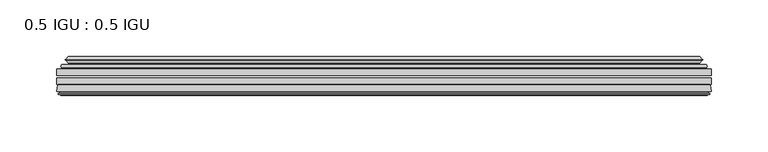
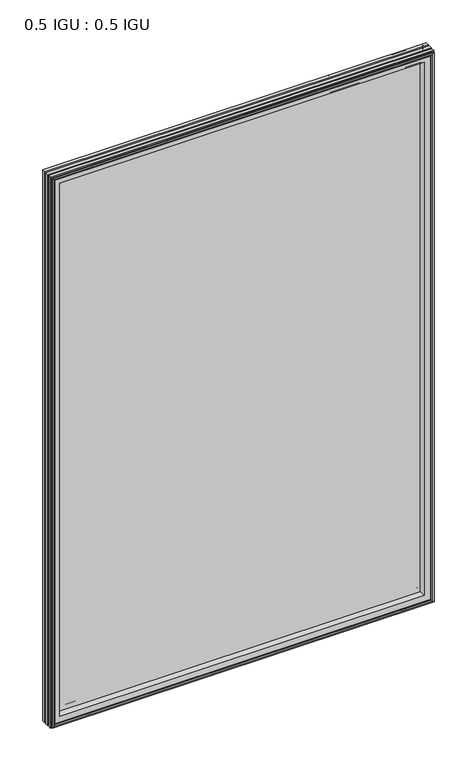
"""IFC4 building model written with IfcOpenShell, lengths in millimetres: plate geometry, 0.5 IGU : 0.5 IGU."""

from ifc_helpers import new_model, si_unit, frame, origin, place, context, project, spatial, polyline, ellipse_curve, outline, extrude, source, transform, mapped, element, save
from ifc_brep_helpers import plane_surface, cylinder_surface, revolved_surface, advanced_brep


def plate_0_5_igu_0_5_igu_e83b45f2(model_context):
    return source(origin(), model_context, "Body", "SolidModel", [
        extrude(outline(polyline([(287.351675, -55.82285), (287.351675, -61.48705), (-287.3375, -61.48705), (-287.3375, -55.82285), (287.351675, -55.82285)])), frame((0.0, 0.0, -14.2875), z_axis=(0.0, 0.0, 1.0), x_axis=(1.0, 0.0, 0.0)), (0.0, 0.0, 1.0), 873.1287979),
        extrude(outline(polyline([(-287.3375, -69.05625), (-287.3375, -63.39205), (287.351675, -63.39205), (287.351675, -69.05625), (-287.3375, -69.05625)])), frame((0.0, 0.0, -14.2875), z_axis=(0.0, 0.0, 1.0), x_axis=(1.0, 0.0, 0.0)), (0.0, 0.0, 1.0), 873.1287979),
        advanced_brep(
        [(-283.2349626, -54.3724927, 854.7349626), (-282.1904378, -51.60645, 853.6904378), (-282.1904378, -51.60645, -9.1404378), (-283.2349626, -54.3724927, -10.1849626), (-281.598517, -55.82285, 853.098517), (-281.598517, -55.82285, -8.548517), (-273.05, -45.63745, 844.55), (-269.4672761, -55.82285, 840.9672761), (-269.4672761, -55.82285, 3.5827239), (-273.05, -45.63745, 0.0), (-278.2359109, -46.8185491, 849.7359109), (-278.2359109, -46.8185491, -5.1859109), (-277.4388893, -44.8183085, 848.9388893), (-277.4388893, -44.8183085, -4.3888893), (-279.7226111, -47.135817, 851.2226111), (-279.7226111, -47.135817, -6.6726111), (-279.7226111, -47.8489429, 851.2226111), (-279.7226111, -47.8489429, -6.6726111), (-277.4388893, -50.1664515, 848.9388893), (-277.4388893, -50.1664515, -4.3888893), (-278.2282501, -48.1854367, 849.7282501), (-278.2282501, -48.1854367, -5.1782501), (-275.7044379, -48.027045, 847.2044379), (-275.7044379, -48.027045, -2.6544379), (-274.6786217, -48.7147544, 846.1786217), (-274.6786217, -48.7147544, -1.6286217), (-274.7970288, -50.1092231, 846.2970288), (-274.7970288, -50.1092231, -1.7470288), (-275.3987748, -51.60645, 846.8987748), (-275.3987748, -51.60645, -2.3487748), (282.1904378, -51.60645, -9.1404378), (283.2349626, -54.3724927, -10.1849626), (281.598517, -55.82285, -8.548517), (269.4672761, -55.82285, 3.5827239), (273.05, -45.63745, 0.0), (278.2359109, -46.8185491, -5.1859109), (277.4388893, -44.8183085, -4.3888893), (279.7226111, -47.135817, -6.6726111), (279.7226111, -47.8489429, -6.6726111), (277.4388893, -50.1664515, -4.3888893), (278.2282501, -48.1854367, -5.1782501), (275.7044379, -48.027045, -2.6544379), (274.6786217, -48.7147544, -1.6286217), (274.7970288, -50.1092231, -1.7470288), (275.3987748, -51.60645, -2.3487748), (282.1904378, -51.60645, 853.6904378), (283.2349626, -54.3724927, 854.7349626), (281.598517, -55.82285, 853.098517), (269.4672761, -55.82285, 840.9672761), (273.05, -45.63745, 844.55), (278.2359109, -46.8185491, 849.7359109), (277.4388893, -44.8183085, 848.9388893), (279.7226111, -47.135817, 851.2226111), (279.7226111, -47.8489429, 851.2226111), (277.4388893, -50.1664515, 848.9388893), (278.2282501, -48.1854367, 849.7282501), (275.7044379, -48.027045, 847.2044379), (274.6786217, -48.7147544, 846.1786217), (274.7970288, -50.1092231, 846.2970288), (275.3987748, -51.60645, 846.8987748)],
        [
            (0, 1, ellipse_curve(frame((-282.1820703, -53.1898501, 853.6820703), z_axis=(-0.7071067811865475, 0.0, -0.7071067811865475), x_axis=(-0.7071067811865474, 0.0, 0.7071067811865476)), 2.2392971, 1.5834222)),
            (1, 2),
            (2, 3, ellipse_curve(frame((-282.1820703, -53.1898501, -9.1320703), z_axis=(-0.7071067811865475, 0.0, 0.7071067811865475), x_axis=(0.7071067811865474, 0.0, 0.7071067811865476)), 2.2392971, 1.5834222)),
            (3, 0),
            (4, 0),
            (3, 5),
            (5, 4),
            (6, 7, ellipse_curve(frame((-240.770246, -40.0058297, 812.270246), z_axis=(0.7071067811865475, 0.0, 0.7071067811865475), x_axis=(0.7071067811865474, 0.0, -0.7071067811865476)), 46.3399971, 32.7673262)),
            (7, 8),
            (8, 9, ellipse_curve(frame((-240.770246, -40.0058297, 32.279754), z_axis=(0.7071067811865475, 0.0, -0.7071067811865475), x_axis=(-0.7071067811865474, 0.0, -0.7071067811865476)), 46.3399971, 32.7673262)),
            (9, 6),
            (10, 6),
            (9, 11),
            (11, 10),
            (12, 10),
            (11, 13),
            (13, 12),
            (14, 12),
            (13, 15),
            (15, 14),
            (16, 14, ellipse_curve(frame((-279.3607729, -47.49238, 850.8607729), z_axis=(-0.7071067811865475, 0.0, -0.7071067811865475), x_axis=(-0.7071067811865474, 0.0, 0.7071067811865476)), 0.7184205, 0.508)),
            (15, 17, ellipse_curve(frame((-279.3607729, -47.49238, -6.3107729), z_axis=(-0.7071067811865475, 0.0, 0.7071067811865475), x_axis=(0.7071067811865474, 0.0, 0.7071067811865476)), 0.7184205, 0.508)),
            (17, 16),
            (18, 16),
            (17, 19),
            (19, 18),
            (20, 18),
            (19, 21),
            (21, 20),
            (22, 20),
            (21, 23),
            (23, 22),
            (24, 22, ellipse_curve(frame((-275.6408, -49.04105, 847.1408), z_axis=(0.7071067811865475, 0.0, 0.7071067811865475), x_axis=(0.7071067811865474, 0.0, -0.7071067811865476)), 1.436841, 1.016)),
            (23, 25, ellipse_curve(frame((-275.6408, -49.04105, -2.5908), z_axis=(0.7071067811865475, 0.0, -0.7071067811865475), x_axis=(-0.7071067811865474, 0.0, -0.7071067811865476)), 1.436841, 1.016)),
            (25, 24),
            (26, 24, ellipse_curve(frame((-277.0124, -49.21885, 848.5124), z_axis=(0.7071067811865475, 0.0, 0.7071067811865475), x_axis=(0.7071067811865474, 0.0, -0.7071067811865476)), 3.3765763, 2.3876)),
            (25, 27, ellipse_curve(frame((-277.0124, -49.21885, -3.9624), z_axis=(0.7071067811865475, 0.0, -0.7071067811865475), x_axis=(-0.7071067811865474, 0.0, -0.7071067811865476)), 3.3765763, 2.3876)),
            (27, 26),
            (28, 26),
            (27, 29),
            (29, 28),
            (2, 30),
            (30, 31, ellipse_curve(frame((282.1820703, -53.1898501, -9.1320703), z_axis=(-0.7071067811865475, 0.0, -0.7071067811865475), x_axis=(-0.7071067811865476, 0.0, 0.7071067811865474)), 2.2392971, 1.5834222)),
            (31, 3),
            (31, 32),
            (32, 5),
            (8, 33),
            (33, 34, ellipse_curve(frame((240.770246, -40.0058297, 32.279754), z_axis=(0.7071067811865475, 0.0, 0.7071067811865475), x_axis=(0.7071067811865476, 0.0, -0.7071067811865474)), 46.3399971, 32.7673262)),
            (34, 9),
            (34, 35),
            (35, 11),
            (35, 36),
            (36, 13),
            (36, 37),
            (37, 15),
            (37, 38, ellipse_curve(frame((279.3607729, -47.49238, -6.3107729), z_axis=(-0.7071067811865475, 0.0, -0.7071067811865475), x_axis=(-0.7071067811865476, 0.0, 0.7071067811865474)), 0.7184205, 0.508)),
            (38, 17),
            (38, 39),
            (39, 19),
            (39, 40),
            (40, 21),
            (40, 41),
            (41, 23),
            (41, 42, ellipse_curve(frame((275.6408, -49.04105, -2.5908), z_axis=(0.7071067811865475, 0.0, 0.7071067811865475), x_axis=(0.7071067811865476, 0.0, -0.7071067811865474)), 1.436841, 1.016)),
            (42, 25),
            (42, 43, ellipse_curve(frame((277.0124, -49.21885, -3.9624), z_axis=(0.7071067811865475, 0.0, 0.7071067811865475), x_axis=(0.7071067811865476, 0.0, -0.7071067811865474)), 3.3765763, 2.3876)),
            (43, 27),
            (43, 44),
            (44, 29),
            (30, 45),
            (45, 46, ellipse_curve(frame((282.1820703, -53.1898501, 853.6820703), z_axis=(0.7071067811865475, 0.0, -0.7071067811865475), x_axis=(-0.7071067811865474, 0.0, -0.7071067811865476)), 2.2392971, 1.5834222)),
            (46, 31),
            (46, 47),
            (47, 32),
            (33, 48),
            (48, 49, ellipse_curve(frame((240.770246, -40.0058297, 812.270246), z_axis=(-0.7071067811865475, 0.0, 0.7071067811865475), x_axis=(0.7071067811865474, 0.0, 0.7071067811865476)), 46.3399971, 32.7673262)),
            (49, 34),
            (49, 50),
            (50, 35),
            (50, 51),
            (51, 36),
            (51, 52),
            (52, 37),
            (52, 53, ellipse_curve(frame((279.3607729, -47.49238, 850.8607729), z_axis=(0.7071067811865475, 0.0, -0.7071067811865475), x_axis=(-0.7071067811865474, 0.0, -0.7071067811865476)), 0.7184205, 0.508)),
            (53, 38),
            (53, 54),
            (54, 39),
            (54, 55),
            (55, 40),
            (55, 56),
            (56, 41),
            (56, 57, ellipse_curve(frame((275.6408, -49.04105, 847.1408), z_axis=(-0.7071067811865475, 0.0, 0.7071067811865475), x_axis=(0.7071067811865474, 0.0, 0.7071067811865476)), 1.436841, 1.016)),
            (57, 42),
            (57, 58, ellipse_curve(frame((277.0124, -49.21885, 848.5124), z_axis=(-0.7071067811865475, 0.0, 0.7071067811865475), x_axis=(0.7071067811865474, 0.0, 0.7071067811865476)), 3.3765763, 2.3876)),
            (58, 43),
            (58, 59),
            (59, 44),
            (45, 1),
            (0, 46),
            (4, 47),
            (7, 48),
            (6, 49),
            (10, 50),
            (12, 51),
            (14, 52),
            (16, 53),
            (18, 54),
            (20, 55),
            (22, 56),
            (24, 57),
            (26, 58),
            (28, 59),
        ],
        [
            cylinder_surface(frame((-282.1820703, -53.1898501, 876.3), z_axis=(0.0, 0.0, 1.0), x_axis=(-1.0, 0.0, 0.0)), 1.5834222),
            plane_surface(frame((-283.2349626, -54.3724927, 854.7349626), z_axis=(-0.6632745773184306, -0.7483761320907135, 0.0), x_axis=(0.0, 0.0, -1.0))),
            revolved_surface(polyline([(-273.5375722, -40.0058297, -0.48757218957496207), (-273.5375722, -40.0058297, 845.037572189575)]), (-240.770246, -40.0058297, 876.3), (0.0, 0.0, -1.0)),
            plane_surface(frame((-273.05, -45.63745, 844.55), z_axis=(-0.2220649844278743, 0.975031867525902, 0.0), x_axis=(0.0, 0.0, -1.0))),
            plane_surface(frame((-278.2359109, -46.8185491, 849.7359109), z_axis=(0.9289682685630282, -0.370159365683228, 0.0), x_axis=(0.0, 0.0, -1.0))),
            plane_surface(frame((-277.4388893, -44.8183085, 848.9388893), z_axis=(-0.7122798501733507, 0.7018955869907071, 0.0), x_axis=(0.0, 0.0, -1.0))),
            cylinder_surface(frame((-279.3607729, -47.49238, 876.3), z_axis=(0.0, 0.0, 1.0), x_axis=(-1.0, 0.0, 0.0)), 0.508),
            plane_surface(frame((-279.7226111, -47.8489429, 851.2226111), z_axis=(-0.7122798501732925, -0.701895586990766, 0.0), x_axis=(0.0, 0.0, -1.0))),
            plane_surface(frame((-277.4388893, -50.1664515, 848.9388893), z_axis=(0.9289682685628707, 0.3701593656836228, 0.0), x_axis=(0.0, 0.0, -1.0))),
            plane_surface(frame((-278.2282501, -48.1854367, 849.7282501), z_axis=(0.0626357011928498, -0.9980364567169279, 0.0), x_axis=(0.0, 0.0, -1.0))),
            revolved_surface(polyline([(-276.65680000000003, -49.04105, -3.606800014586838), (-276.65680000000003, -49.04105, 848.1568000145869)]), (-275.6408, -49.04105, 876.3), (0.0, 0.0, -1.0)),
            revolved_surface(polyline([(-279.40000000000003, -49.21885, -6.3499999989237494), (-279.40000000000003, -49.21885, 850.8999999989237)]), (-277.0124, -49.21885, 876.3), (0.0, 0.0, -1.0)),
            plane_surface(frame((-274.7970288, -50.1092231, 846.2970288), z_axis=(-0.9278652925428184, 0.3729155385532094, 0.0), x_axis=(0.0, 0.0, -1.0))),
            cylinder_surface(frame((-304.8, -53.1898501, -9.1320703), z_axis=(-1.0, 0.0, 0.0), x_axis=(0.0, 0.0, -1.0)), 1.5834222),
            plane_surface(frame((-283.2349626, -54.3724927, -10.1849626), z_axis=(0.0, -0.7483761320907157, -0.6632745773184283), x_axis=(1.0, 0.0, 0.0))),
            revolved_surface(polyline([(273.537572189575, -40.0058297, -0.48757220000000245), (-273.5375721895749, -40.0058297, -0.48757220000000245)]), (-304.8, -40.0058297, 32.279754), (1.0, 0.0, 0.0)),
            plane_surface(frame((-273.05, -45.63745, 0.0), z_axis=(0.0, 0.9750318675259013, -0.22206498442787745), x_axis=(1.0, 0.0, 0.0))),
            plane_surface(frame((-278.2359109, -46.8185491, -5.1859109), z_axis=(0.0, -0.370159365683225, 0.9289682685630294), x_axis=(1.0, 0.0, 0.0))),
            plane_surface(frame((-277.4388893, -44.8183085, -4.3888893), z_axis=(0.0, 0.7018955869907048, -0.7122798501733529), x_axis=(1.0, 0.0, 0.0))),
            cylinder_surface(frame((-304.8, -47.49238, -6.3107729), z_axis=(-1.0, 0.0, 0.0), x_axis=(0.0, 0.0, -1.0)), 0.508),
            plane_surface(frame((-279.7226111, -47.8489429, -6.6726111), z_axis=(0.0, -0.7018955869907684, -0.7122798501732903), x_axis=(1.0, 0.0, 0.0))),
            plane_surface(frame((-277.4388893, -50.1664515, -4.3888893), z_axis=(0.0, 0.37015936568362584, 0.9289682685628696), x_axis=(1.0, 0.0, 0.0))),
            plane_surface(frame((-278.2282501, -48.1854367, -5.1782501), z_axis=(0.0, -0.9980364567169276, 0.06263570119285301), x_axis=(1.0, 0.0, 0.0))),
            revolved_surface(polyline([(276.65680001458696, -49.04105, -3.6068000000000002), (-276.65680001458685, -49.04105, -3.6068000000000002)]), (-304.8, -49.04105, -2.5908), (1.0, 0.0, 0.0)),
            revolved_surface(polyline([(279.39999999892376, -49.21885, -6.35), (-279.3999999989238, -49.21885, -6.35)]), (-304.8, -49.21885, -3.9624), (1.0, 0.0, 0.0)),
            plane_surface(frame((-274.7970288, -50.1092231, -1.7470288), z_axis=(0.0, 0.3729155385532064, -0.9278652925428196), x_axis=(1.0, 0.0, 0.0))),
            cylinder_surface(frame((282.1820703, -53.1898501, -31.75), z_axis=(0.0, 0.0, -1.0), x_axis=(1.0, 0.0, 0.0)), 1.5834222),
            plane_surface(frame((283.2349626, -54.3724927, -10.1849626), z_axis=(0.6632745773184259, -0.7483761320907178, 0.0), x_axis=(0.0, 0.0, 1.0))),
            revolved_surface(polyline([(273.5375722, -40.0058297, 845.037572189575), (273.5375722, -40.0058297, -0.48757218957494075)]), (240.770246, -40.0058297, -31.75), (0.0, 0.0, 1.0)),
            plane_surface(frame((273.05, -45.63745, 0.0), z_axis=(0.22206498442788056, 0.9750318675259005, 0.0), x_axis=(0.0, 0.0, 1.0))),
            plane_surface(frame((278.2359109, -46.8185491, -5.1859109), z_axis=(-0.9289682685630306, -0.370159365683222, 0.0), x_axis=(0.0, 0.0, 1.0))),
            plane_surface(frame((277.4388893, -44.8183085, -4.3888893), z_axis=(0.7122798501733552, 0.7018955869907024, 0.0), x_axis=(0.0, 0.0, 1.0))),
            cylinder_surface(frame((279.3607729, -47.49238, -31.75), z_axis=(0.0, 0.0, -1.0), x_axis=(1.0, 0.0, 0.0)), 0.508),
            plane_surface(frame((279.7226111, -47.8489429, -6.6726111), z_axis=(0.712279850173288, -0.7018955869907706, 0.0), x_axis=(0.0, 0.0, 1.0))),
            plane_surface(frame((277.4388893, -50.1664515, -4.3888893), z_axis=(-0.9289682685628684, 0.37015936568362884, 0.0), x_axis=(0.0, 0.0, 1.0))),
            plane_surface(frame((278.2282501, -48.1854367, -5.1782501), z_axis=(-0.06263570119285623, -0.9980364567169274, 0.0), x_axis=(0.0, 0.0, 1.0))),
            revolved_surface(polyline([(276.65680000000003, -49.04105, 848.1568000145869), (276.65680000000003, -49.04105, -3.606800014586863)]), (275.6408, -49.04105, -31.75), (0.0, 0.0, 1.0)),
            revolved_surface(polyline([(279.40000000000003, -49.21885, 850.8999999989237), (279.40000000000003, -49.21885, -6.349999998923781)]), (277.0124, -49.21885, -31.75), (0.0, 0.0, 1.0)),
            plane_surface(frame((274.7970288, -50.1092231, -1.7470288), z_axis=(0.9278652925428208, 0.3729155385532034, 0.0), x_axis=(0.0, 0.0, 1.0))),
            cylinder_surface(frame((304.8, -53.1898501, 853.6820703), z_axis=(1.0, 0.0, 0.0), x_axis=(0.0, 0.0, 1.0)), 1.5834222),
            plane_surface(frame((283.2349626, -54.3724927, 854.7349626), z_axis=(0.0, -0.7483761320907157, 0.6632745773184283), x_axis=(-1.0, 0.0, 0.0))),
            plane_surface(frame((281.598517, -55.82285, 853.098517), z_axis=(0.0, -1.0, 0.0), x_axis=(-1.0, 0.0, 0.0))),
            revolved_surface(polyline([(-273.537572189575, -40.0058297, 845.0375722), (273.5375721895749, -40.0058297, 845.0375722)]), (304.8, -40.0058297, 812.270246), (-1.0, 0.0, 0.0)),
            plane_surface(frame((273.05, -45.63745, 844.55), z_axis=(0.0, 0.9750318675259012, 0.22206498442787742), x_axis=(-1.0, 0.0, 0.0))),
            plane_surface(frame((278.2359109, -46.8185491, 849.7359109), z_axis=(0.0, -0.370159365683225, -0.9289682685630294), x_axis=(-1.0, 0.0, 0.0))),
            plane_surface(frame((277.4388893, -44.8183085, 848.9388893), z_axis=(0.0, 0.7018955869907048, 0.7122798501733529), x_axis=(-1.0, 0.0, 0.0))),
            cylinder_surface(frame((304.8, -47.49238, 850.8607729), z_axis=(1.0, 0.0, 0.0), x_axis=(0.0, 0.0, 1.0)), 0.508),
            plane_surface(frame((279.7226111, -47.8489429, 851.2226111), z_axis=(0.0, -0.7018955869907684, 0.7122798501732903), x_axis=(-1.0, 0.0, 0.0))),
            plane_surface(frame((277.4388893, -50.1664515, 848.9388893), z_axis=(0.0, 0.37015936568362584, -0.9289682685628696), x_axis=(-1.0, 0.0, 0.0))),
            plane_surface(frame((278.2282501, -48.1854367, 849.7282501), z_axis=(0.0, -0.9980364567169276, -0.06263570119285301), x_axis=(-1.0, 0.0, 0.0))),
            revolved_surface(polyline([(-276.65680001458696, -49.04105, 848.1568), (276.65680001458685, -49.04105, 848.1568)]), (304.8, -49.04105, 847.1408), (-1.0, 0.0, 0.0)),
            revolved_surface(polyline([(-279.39999999892376, -49.21885, 850.9), (279.3999999989238, -49.21885, 850.9)]), (304.8, -49.21885, 848.5124), (-1.0, 0.0, 0.0)),
            plane_surface(frame((274.7970288, -50.1092231, 846.2970288), z_axis=(0.0, 0.3729155385532064, 0.9278652925428196), x_axis=(-1.0, 0.0, 0.0))),
            plane_surface(frame((275.3987748, -51.60645, 846.8987748), z_axis=(0.0, 1.0, 0.0), x_axis=(-1.0, 0.0, 0.0))),
        ],
        [
            (0, [[1, 2, 3, 4]]),
            (1, [[5, -4, 6, 7]]),
            (2, [[8, 9, 10, 11]]),
            (3, [[12, -11, 13, 14]]),
            (4, [[15, -14, 16, 17]]),
            (5, [[18, -17, 19, 20]]),
            (6, [[21, -20, 22, 23]]),
            (7, [[24, -23, 25, 26]]),
            (8, [[27, -26, 28, 29]]),
            (9, [[30, -29, 31, 32]]),
            (10, [[33, -32, 34, 35]]),
            (11, [[36, -35, 37, 38]]),
            (12, [[39, -38, 40, 41]]),
            (13, [[-3, 42, 43, 44]]),
            (14, [[-6, -44, 45, 46]]),
            (15, [[-10, 47, 48, 49]]),
            (16, [[-13, -49, 50, 51]]),
            (17, [[-16, -51, 52, 53]]),
            (18, [[-19, -53, 54, 55]]),
            (19, [[-22, -55, 56, 57]]),
            (20, [[-25, -57, 58, 59]]),
            (21, [[-28, -59, 60, 61]]),
            (22, [[-31, -61, 62, 63]]),
            (23, [[-34, -63, 64, 65]]),
            (24, [[-37, -65, 66, 67]]),
            (25, [[-40, -67, 68, 69]]),
            (26, [[-43, 70, 71, 72]]),
            (27, [[-45, -72, 73, 74]]),
            (28, [[-48, 75, 76, 77]]),
            (29, [[-50, -77, 78, 79]]),
            (30, [[-52, -79, 80, 81]]),
            (31, [[-54, -81, 82, 83]]),
            (32, [[-56, -83, 84, 85]]),
            (33, [[-58, -85, 86, 87]]),
            (34, [[-60, -87, 88, 89]]),
            (35, [[-62, -89, 90, 91]]),
            (36, [[-64, -91, 92, 93]]),
            (37, [[-66, -93, 94, 95]]),
            (38, [[-68, -95, 96, 97]]),
            (39, [[-71, 98, -1, 99]]),
            (40, [[-73, -99, -5, 100]]),
            (41, [[-46, -74, -100, -7], [101, -75, -47, -9]]),
            (42, [[-76, -101, -8, 102]]),
            (43, [[-78, -102, -12, 103]]),
            (44, [[-80, -103, -15, 104]]),
            (45, [[-82, -104, -18, 105]]),
            (46, [[-84, -105, -21, 106]]),
            (47, [[-86, -106, -24, 107]]),
            (48, [[-88, -107, -27, 108]]),
            (49, [[-90, -108, -30, 109]]),
            (50, [[-92, -109, -33, 110]]),
            (51, [[-94, -110, -36, 111]]),
            (52, [[-96, -111, -39, 112]]),
            (53, [[-98, -70, -42, -2], [-69, -97, -112, -41]]),
        ],
    ),
        advanced_brep(
        [(-287.3502, -75.40625, 858.8502), (-286.6554162, -69.7476901, 858.1554162), (-286.6554162, -69.7476901, -13.6054162), (-287.3502, -75.40625, -14.3002), (-284.9626, -77.3973143, 856.4626), (-285.4198, -75.40625, 856.9198), (-285.4198, -75.40625, -12.3698), (-284.9626, -77.3973143, -11.9126), (-285.9639619, -77.1290001, 857.4639619), (-285.9639619, -77.1290001, -12.9139619), (-286.2072, -78.0367772, 857.7072), (-286.2072, -78.0367772, -13.1572), (-284.1752, -78.58125, 855.6752), (-284.1752, -78.58125, -11.1252), (-282.1432, -78.0367772, 853.6432), (-282.1432, -78.0367772, -9.0932), (-282.3864381, -77.1290001, 853.8864381), (-282.3864381, -77.1290001, -9.3364381), (-283.3878, -77.3973143, 854.8878), (-283.3878, -77.3973143, -10.3378), (-282.9306, -75.40625, 854.4306), (-282.9306, -75.40625, -9.8806), (-269.4605369, -69.05625, 840.9605369), (-273.05, -75.40625, 844.55), (-273.05, -75.40625, 0.0), (-269.4605369, -69.05625, 3.5894631), (-285.8738854, -69.05625, 857.3738854), (-285.8738854, -69.05625, -12.8238854), (286.6554162, -69.7476901, -13.6054162), (287.3502, -75.40625, -14.3002), (285.4198, -75.40625, -12.3698), (284.9626, -77.3973143, -11.9126), (285.9639619, -77.1290001, -12.9139619), (286.2072, -78.0367772, -13.1572), (284.1752, -78.58125, -11.1252), (282.1432, -78.0367772, -9.0932), (282.3864381, -77.1290001, -9.3364381), (283.3878, -77.3973143, -10.3378), (282.9306, -75.40625, -9.8806), (273.05, -75.40625, 0.0), (269.4605369, -69.05625, 3.5894631), (285.8738854, -69.05625, -12.8238854), (286.6554162, -69.7476901, 858.1554162), (287.3502, -75.40625, 858.8502), (285.4198, -75.40625, 856.9198), (284.9626, -77.3973143, 856.4626), (285.9639619, -77.1290001, 857.4639619), (286.2072, -78.0367772, 857.7072), (284.1752, -78.58125, 855.6752), (282.1432, -78.0367772, 853.6432), (282.3864381, -77.1290001, 853.8864381), (283.3878, -77.3973143, 854.8878), (282.9306, -75.40625, 854.4306), (273.05, -75.40625, 844.55), (269.4605369, -69.05625, 840.9605369), (285.8738854, -69.05625, 857.3738854)],
        [
            (0, 1),
            (1, 2),
            (2, 3),
            (3, 0),
            (4, 5),
            (5, 6),
            (6, 7),
            (7, 4),
            (8, 4),
            (7, 9),
            (9, 8),
            (10, 8),
            (9, 11),
            (11, 10),
            (12, 10),
            (11, 13),
            (13, 12),
            (14, 12),
            (13, 15),
            (15, 14),
            (16, 14),
            (15, 17),
            (17, 16),
            (18, 16),
            (17, 19),
            (19, 18),
            (20, 18),
            (19, 21),
            (21, 20),
            (22, 23, ellipse_curve(frame((-264.5737114, -76.0081323, 836.0737114), z_axis=(0.7071067811865475, 0.0, 0.7071067811865475), x_axis=(0.7071067811865474, 0.0, -0.7071067811865476)), 12.0174649, 8.4976309)),
            (23, 24),
            (24, 25, ellipse_curve(frame((-264.5737114, -76.0081323, 8.4762886), z_axis=(0.7071067811865475, 0.0, -0.7071067811865475), x_axis=(-0.7071067811865474, 0.0, -0.7071067811865476)), 12.0174649, 8.4976309)),
            (25, 22),
            (1, 26, ellipse_curve(frame((-285.8738854, -69.84365, 857.3738854), z_axis=(-0.7071067811865475, 0.0, -0.7071067811865475), x_axis=(-0.7071067811865474, 0.0, 0.7071067811865476)), 1.1135518, 0.7874)),
            (26, 27),
            (27, 2, ellipse_curve(frame((-285.8738854, -69.84365, -12.8238854), z_axis=(-0.7071067811865475, 0.0, 0.7071067811865475), x_axis=(0.7071067811865474, 0.0, 0.7071067811865476)), 1.1135518, 0.7874)),
            (2, 28),
            (28, 29),
            (29, 3),
            (6, 30),
            (30, 31),
            (31, 7),
            (31, 32),
            (32, 9),
            (32, 33),
            (33, 11),
            (33, 34),
            (34, 13),
            (34, 35),
            (35, 15),
            (35, 36),
            (36, 17),
            (36, 37),
            (37, 19),
            (37, 38),
            (38, 21),
            (24, 39),
            (39, 40, ellipse_curve(frame((264.5737114, -76.0081323, 8.4762886), z_axis=(0.7071067811865475, 0.0, 0.7071067811865475), x_axis=(0.7071067811865476, 0.0, -0.7071067811865474)), 12.0174649, 8.4976309)),
            (40, 25),
            (27, 41),
            (41, 28, ellipse_curve(frame((285.8738854, -69.84365, -12.8238854), z_axis=(-0.7071067811865475, 0.0, -0.7071067811865475), x_axis=(-0.7071067811865476, 0.0, 0.7071067811865474)), 1.1135518, 0.7874)),
            (28, 42),
            (42, 43),
            (43, 29),
            (30, 44),
            (44, 45),
            (45, 31),
            (45, 46),
            (46, 32),
            (46, 47),
            (47, 33),
            (47, 48),
            (48, 34),
            (48, 49),
            (49, 35),
            (49, 50),
            (50, 36),
            (50, 51),
            (51, 37),
            (51, 52),
            (52, 38),
            (39, 53),
            (53, 54, ellipse_curve(frame((264.5737114, -76.0081323, 836.0737114), z_axis=(-0.7071067811865475, 0.0, 0.7071067811865475), x_axis=(0.7071067811865474, 0.0, 0.7071067811865476)), 12.0174649, 8.4976309)),
            (54, 40),
            (41, 55),
            (55, 42, ellipse_curve(frame((285.8738854, -69.84365, 857.3738854), z_axis=(0.7071067811865475, 0.0, -0.7071067811865475), x_axis=(-0.7071067811865474, 0.0, -0.7071067811865476)), 1.1135518, 0.7874)),
            (42, 1),
            (0, 43),
            (5, 44),
            (4, 45),
            (8, 46),
            (10, 47),
            (12, 48),
            (14, 49),
            (16, 50),
            (18, 51),
            (20, 52),
            (23, 53),
            (22, 54),
            (26, 55),
        ],
        [
            plane_surface(frame((-286.6554162, -69.7476901, 858.1554162), z_axis=(-0.992546151641325, 0.12186934340512404, 0.0), x_axis=(0.0, 0.0, -1.0))),
            plane_surface(frame((-285.4198, -75.40625, 856.9198), z_axis=(-0.9746347637895902, -0.223801423616584, 0.0), x_axis=(0.0, 0.0, -1.0))),
            plane_surface(frame((-284.9626, -77.3973143, 856.4626), z_axis=(0.2588190451026526, 0.965925826289033, 0.0), x_axis=(0.0, 0.0, -1.0))),
            plane_surface(frame((-285.9639619, -77.1290001, 857.4639619), z_axis=(-0.9659258262890449, 0.2588190451026083, 0.0), x_axis=(0.0, 0.0, -1.0))),
            plane_surface(frame((-286.2072, -78.0367772, 857.7072), z_axis=(-0.2588190451024403, -0.96592582628909, 0.0), x_axis=(0.0, 0.0, -1.0))),
            plane_surface(frame((-284.1752, -78.58125, 855.6752), z_axis=(0.2588190451025434, -0.9659258262890623, 0.0), x_axis=(0.0, 0.0, -1.0))),
            plane_surface(frame((-282.1432, -78.0367772, 853.6432), z_axis=(0.9659258262891713, 0.25881904510213655, 0.0), x_axis=(0.0, 0.0, -1.0))),
            plane_surface(frame((-282.3864381, -77.1290001, 853.8864381), z_axis=(-0.25881904510234177, 0.9659258262891163, 0.0), x_axis=(0.0, 0.0, -1.0))),
            plane_surface(frame((-283.3878, -77.3973143, 854.8878), z_axis=(0.9746347637895849, -0.2238014236166074, 0.0), x_axis=(0.0, 0.0, -1.0))),
            revolved_surface(polyline([(-273.07134229999997, -76.0081323, -0.02134232346134013), (-273.07134229999997, -76.0081323, 844.5713423234613)]), (-264.5737114, -76.0081323, 876.3), (0.0, 0.0, -1.0)),
            cylinder_surface(frame((-285.8738854, -69.84365, 876.3), z_axis=(0.0, 0.0, 1.0), x_axis=(-1.0, 0.0, 0.0)), 0.7874),
            plane_surface(frame((-286.6554162, -69.7476901, -13.6054162), z_axis=(0.0, 0.12186934340512084, -0.9925461516413254), x_axis=(1.0, 0.0, 0.0))),
            plane_surface(frame((-285.4198, -75.40625, -12.3698), z_axis=(0.0, -0.22380142361658714, -0.9746347637895896), x_axis=(1.0, 0.0, 0.0))),
            plane_surface(frame((-284.9626, -77.3973143, -11.9126), z_axis=(0.0, 0.9659258262890339, 0.25881904510264947), x_axis=(1.0, 0.0, 0.0))),
            plane_surface(frame((-285.9639619, -77.1290001, -12.9139619), z_axis=(0.0, 0.25881904510260517, -0.9659258262890458), x_axis=(1.0, 0.0, 0.0))),
            plane_surface(frame((-286.2072, -78.0367772, -13.1572), z_axis=(0.0, -0.9659258262890907, -0.25881904510243714), x_axis=(1.0, 0.0, 0.0))),
            plane_surface(frame((-284.1752, -78.58125, -11.1252), z_axis=(0.0, -0.9659258262890614, 0.2588190451025465), x_axis=(1.0, 0.0, 0.0))),
            plane_surface(frame((-282.1432, -78.0367772, -9.0932), z_axis=(0.0, 0.25881904510213966, 0.9659258262891705), x_axis=(1.0, 0.0, 0.0))),
            plane_surface(frame((-282.3864381, -77.1290001, -9.3364381), z_axis=(0.0, 0.9659258262891154, -0.2588190451023449), x_axis=(1.0, 0.0, 0.0))),
            plane_surface(frame((-283.3878, -77.3973143, -10.3378), z_axis=(0.0, -0.22380142361660427, 0.9746347637895856), x_axis=(1.0, 0.0, 0.0))),
            revolved_surface(polyline([(273.07134232346135, -76.0081323, -0.02134230000000059), (-273.0713423234613, -76.0081323, -0.02134230000000059)]), (-304.8, -76.0081323, 8.4762886), (1.0, 0.0, 0.0)),
            cylinder_surface(frame((-304.8, -69.84365, -12.8238854), z_axis=(-1.0, 0.0, 0.0), x_axis=(0.0, 0.0, -1.0)), 0.7874),
            plane_surface(frame((286.6554162, -69.7476901, -13.6054162), z_axis=(0.9925461516413258, 0.12186934340511764, 0.0), x_axis=(0.0, 0.0, 1.0))),
            plane_surface(frame((285.4198, -75.40625, -12.3698), z_axis=(0.9746347637895889, -0.22380142361659028, 0.0), x_axis=(0.0, 0.0, 1.0))),
            plane_surface(frame((284.9626, -77.3973143, -11.9126), z_axis=(-0.25881904510264636, 0.9659258262890348, 0.0), x_axis=(0.0, 0.0, 1.0))),
            plane_surface(frame((285.9639619, -77.1290001, -12.9139619), z_axis=(0.9659258262890467, 0.25881904510260206, 0.0), x_axis=(0.0, 0.0, 1.0))),
            plane_surface(frame((286.2072, -78.0367772, -13.1572), z_axis=(0.25881904510243403, -0.9659258262890916, 0.0), x_axis=(0.0, 0.0, 1.0))),
            plane_surface(frame((284.1752, -78.58125, -11.1252), z_axis=(-0.25881904510254966, -0.9659258262890607, 0.0), x_axis=(0.0, 0.0, 1.0))),
            plane_surface(frame((282.1432, -78.0367772, -9.0932), z_axis=(-0.9659258262891696, 0.25881904510214276, 0.0), x_axis=(0.0, 0.0, 1.0))),
            plane_surface(frame((282.3864381, -77.1290001, -9.3364381), z_axis=(0.25881904510234804, 0.9659258262891146, 0.0), x_axis=(0.0, 0.0, 1.0))),
            plane_surface(frame((283.3878, -77.3973143, -10.3378), z_axis=(-0.9746347637895864, -0.22380142361660116, 0.0), x_axis=(0.0, 0.0, 1.0))),
            revolved_surface(polyline([(273.07134229999997, -76.0081323, 844.5713423234613), (273.07134229999997, -76.0081323, -0.021342323461311707)]), (264.5737114, -76.0081323, -31.75), (0.0, 0.0, 1.0)),
            cylinder_surface(frame((285.8738854, -69.84365, -31.75), z_axis=(0.0, 0.0, -1.0), x_axis=(1.0, 0.0, 0.0)), 0.7874),
            plane_surface(frame((286.6554162, -69.7476901, 858.1554162), z_axis=(0.0, 0.12186934340512083, 0.9925461516413253), x_axis=(-1.0, 0.0, 0.0))),
            plane_surface(frame((287.3502, -75.40625, 858.8502), z_axis=(0.0, -1.0, 0.0), x_axis=(-1.0, 0.0, 0.0))),
            plane_surface(frame((285.4198, -75.40625, 856.9198), z_axis=(0.0, -0.22380142361658714, 0.9746347637895896), x_axis=(-1.0, 0.0, 0.0))),
            plane_surface(frame((284.9626, -77.3973143, 856.4626), z_axis=(0.0, 0.9659258262890339, -0.25881904510264947), x_axis=(-1.0, 0.0, 0.0))),
            plane_surface(frame((285.9639619, -77.1290001, 857.4639619), z_axis=(0.0, 0.25881904510260517, 0.9659258262890458), x_axis=(-1.0, 0.0, 0.0))),
            plane_surface(frame((286.2072, -78.0367772, 857.7072), z_axis=(0.0, -0.9659258262890907, 0.25881904510243714), x_axis=(-1.0, 0.0, 0.0))),
            plane_surface(frame((284.1752, -78.58125, 855.6752), z_axis=(0.0, -0.9659258262890614, -0.25881904510254655), x_axis=(-1.0, 0.0, 0.0))),
            plane_surface(frame((282.1432, -78.0367772, 853.6432), z_axis=(0.0, 0.25881904510213966, -0.9659258262891705), x_axis=(-1.0, 0.0, 0.0))),
            plane_surface(frame((282.3864381, -77.1290001, 853.8864381), z_axis=(0.0, 0.9659258262891155, 0.25881904510234494), x_axis=(-1.0, 0.0, 0.0))),
            plane_surface(frame((283.3878, -77.3973143, 854.8878), z_axis=(0.0, -0.2238014236166043, -0.9746347637895857), x_axis=(-1.0, 0.0, 0.0))),
            plane_surface(frame((282.9306, -75.40625, 854.4306), z_axis=(0.0, -1.0, 0.0), x_axis=(-1.0, 0.0, 0.0))),
            revolved_surface(polyline([(-273.07134232346135, -76.0081323, 844.5713423), (273.0713423234613, -76.0081323, 844.5713423)]), (304.8, -76.0081323, 836.0737114), (-1.0, 0.0, 0.0)),
            plane_surface(frame((269.4605369, -69.05625, 840.9605369), z_axis=(0.0, 1.0, 0.0), x_axis=(-1.0, 0.0, 0.0))),
            cylinder_surface(frame((304.8, -69.84365, 857.3738854), z_axis=(1.0, 0.0, 0.0), x_axis=(0.0, 0.0, 1.0)), 0.7874),
        ],
        [
            (0, [[1, 2, 3, 4]]),
            (1, [[5, 6, 7, 8]]),
            (2, [[9, -8, 10, 11]]),
            (3, [[12, -11, 13, 14]]),
            (4, [[15, -14, 16, 17]]),
            (5, [[18, -17, 19, 20]]),
            (6, [[21, -20, 22, 23]]),
            (7, [[24, -23, 25, 26]]),
            (8, [[27, -26, 28, 29]]),
            (9, [[30, 31, 32, 33]]),
            (10, [[34, 35, 36, -2]]),
            (11, [[-3, 37, 38, 39]]),
            (12, [[-7, 40, 41, 42]]),
            (13, [[-10, -42, 43, 44]]),
            (14, [[-13, -44, 45, 46]]),
            (15, [[-16, -46, 47, 48]]),
            (16, [[-19, -48, 49, 50]]),
            (17, [[-22, -50, 51, 52]]),
            (18, [[-25, -52, 53, 54]]),
            (19, [[-28, -54, 55, 56]]),
            (20, [[-32, 57, 58, 59]]),
            (21, [[-36, 60, 61, -37]]),
            (22, [[-38, 62, 63, 64]]),
            (23, [[-41, 65, 66, 67]]),
            (24, [[-43, -67, 68, 69]]),
            (25, [[-45, -69, 70, 71]]),
            (26, [[-47, -71, 72, 73]]),
            (27, [[-49, -73, 74, 75]]),
            (28, [[-51, -75, 76, 77]]),
            (29, [[-53, -77, 78, 79]]),
            (30, [[-55, -79, 80, 81]]),
            (31, [[-58, 82, 83, 84]]),
            (32, [[-61, 85, 86, -62]]),
            (33, [[-63, 87, -1, 88]]),
            (34, [[-39, -64, -88, -4], [89, -65, -40, -6]]),
            (35, [[-66, -89, -5, 90]]),
            (36, [[-68, -90, -9, 91]]),
            (37, [[-70, -91, -12, 92]]),
            (38, [[-72, -92, -15, 93]]),
            (39, [[-74, -93, -18, 94]]),
            (40, [[-76, -94, -21, 95]]),
            (41, [[-78, -95, -24, 96]]),
            (42, [[-80, -96, -27, 97]]),
            (43, [[-56, -81, -97, -29], [98, -82, -57, -31]]),
            (44, [[-83, -98, -30, 99]]),
            (45, [[100, -85, -60, -35], [-59, -84, -99, -33]]),
            (46, [[-86, -100, -34, -87]]),
        ],
    ),
    ])


if __name__ == "__main__":
    model = new_model("IFC4")
    model_context = context("Model", 3, world=origin())
    ifc_project = project(units=[si_unit("LENGTHUNIT", "METRE", prefix="MILLI")], contexts=[model_context])
    site = spatial("IfcSite", under=ifc_project)
    building = spatial("IfcBuilding", under=site)
    placement = place(None, origin())
    plate_0_5_igu_0_5_igu_shape = plate_0_5_igu_0_5_igu_e83b45f2(model_context)
    element("IfcPlate", 1, ObjectType="0.5 IGU : 0.5 IGU", at=placement, inside=building, context=model_context, shape_type="MappedRepresentation", body=[
        mapped(plate_0_5_igu_0_5_igu_shape, transform((0.0, 0.0, 0.0), x_axis=(1.0, 0.0, 0.0), y_axis=(0.0, 1.0, 0.0), z_axis=(0.0, 0.0, 1.0))),
    ])
    save(model, "model.ifc")
